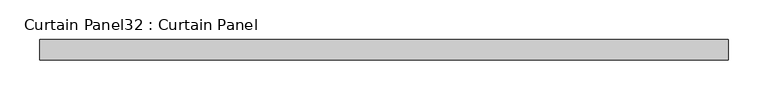
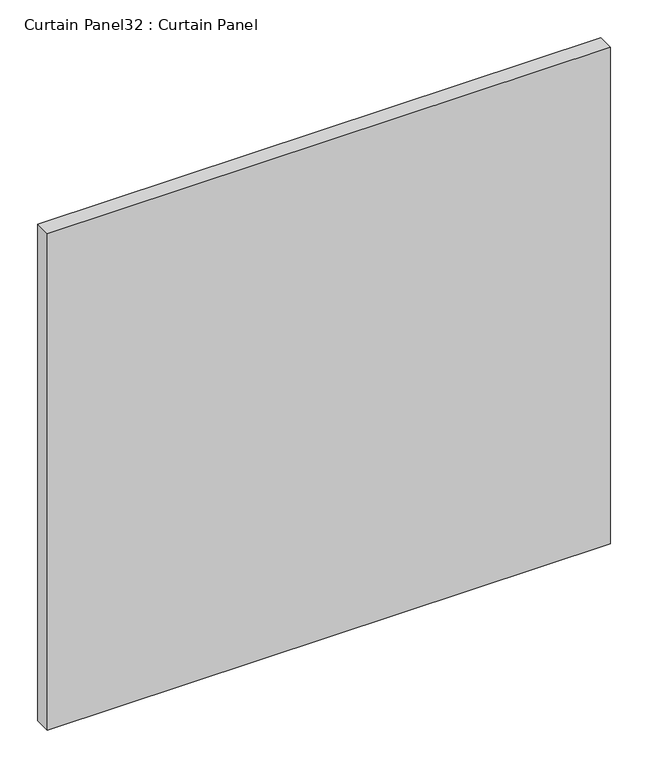
"""IFC4 building model written with IfcOpenShell, lengths in millimetres: plate geometry, Curtain Panel32 : Curtain Panel."""

from ifc_helpers import new_model, si_unit, frame, origin, place, context, project, spatial, polyline, outline, extrude, source, transform, mapped, element, save


def curtain_panel32_curtain_panel_308abf7a(model_context):
    return source(origin(), model_context, "Body", "SweptSolid", [
        extrude(outline(polyline([(39480.753497, 2225.3654634), (38617.3006744, 2225.3654634), (38617.3006744, 2250.7654634), (39480.753497, 2250.7654634), (39480.753497, 2225.3654634)])), frame((0.0, 0.0, -569.0026178), z_axis=(0.0, 0.0, 1.0), x_axis=(1.0, 0.0, 0.0)), (0.0, 0.0, 1.0), 804.7235076),
    ])


if __name__ == "__main__":
    model = new_model("IFC4")
    model_context = context("Model", 3, world=origin())
    ifc_project = project(units=[si_unit("LENGTHUNIT", "METRE", prefix="MILLI")], contexts=[model_context])
    site = spatial("IfcSite", under=ifc_project)
    building = spatial("IfcBuilding", under=site)
    placement = place(None, origin())
    curtain_panel32_curtain_panel_shape = curtain_panel32_curtain_panel_308abf7a(model_context)
    element("IfcPlate", 1, ObjectType="Curtain Panel32 : Curtain Panel", at=placement, inside=building, context=model_context, shape_type="MappedRepresentation", body=[
        mapped(curtain_panel32_curtain_panel_shape, transform((0.0, 0.0, 0.0), x_axis=(1.0, 0.0, 0.0), y_axis=(0.0, 1.0, 0.0), z_axis=(0.0, 0.0, 1.0))),
    ])
    save(model, "model.ifc")
